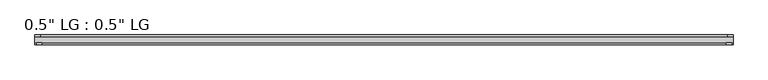
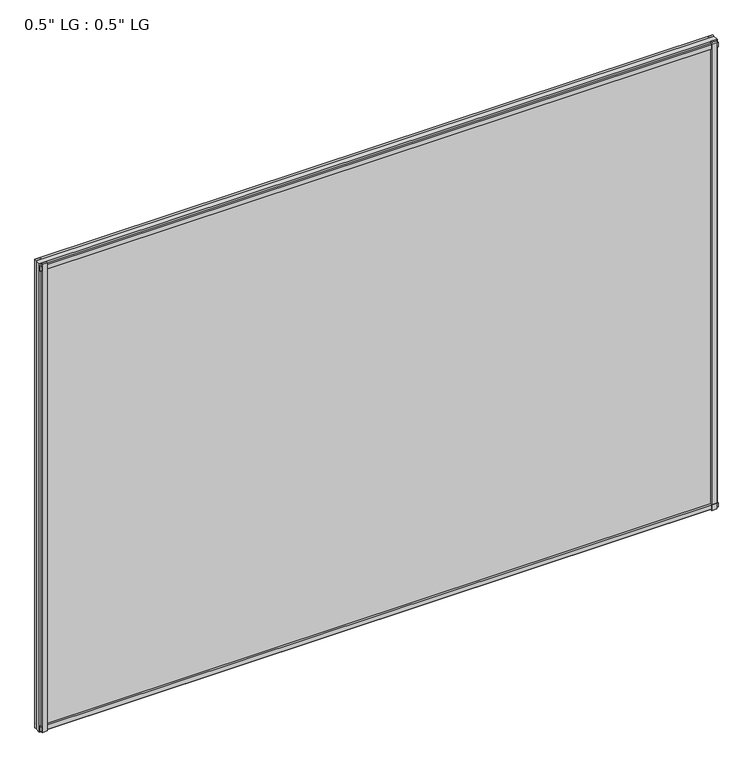
"""IFC4 building model written with IfcOpenShell, lengths in millimetres: plate geometry."""

from ifc_helpers import new_model, si_unit, frame, origin, origin_with_axes, place, context, project, spatial, polyline, outline, extrude, source, transform, mapped, element, save


def plate_aadd0195(model_context):
    return source(origin(), model_context, "Body", "SweptSolid", [
        extrude(outline(polyline([(809.6581873, 33.3271813), (797.5205077, 33.3271813), (797.5205077, 38.0007813), (809.6581873, 38.0007813), (809.6581873, 33.3271813)])), origin_with_axes(), (0.0, 0.0, 1.0), 1181.7821763),
        extrude(outline(polyline([(806.1268336, 15.5217813), (794.1144097, 15.5217813), (794.1144097, 19.7127813), (806.1268336, 19.7127813), (806.1268336, 15.5217813)])), origin_with_axes(), (0.0, 0.0, 1.0), 1181.7821763),
        extrude(outline(polyline([(-797.3676093, 38.0007812), (-797.3676093, 33.3271813), (-809.6581873, 33.3271813), (-809.6581873, 38.0007812), (-797.3676093, 38.0007812)])), origin_with_axes(), (0.0, 0.0, 1.0), 1181.7821763),
        extrude(outline(polyline([(-793.4083713, 19.7127813), (-793.4083713, 15.5217812), (-805.6989493, 15.5217812), (-805.6989493, 19.7127813), (-793.4083713, 19.7127813)])), origin_with_axes(), (0.0, 0.0, 1.0), 1181.7821763),
        extrude(outline(polyline([(809.6581873, 33.3271813), (-809.6581873, 33.3271813), (-809.6581873, 38.0007812), (809.6581873, 38.0007813), (809.6581873, 33.3271813)])), origin_with_axes(), (0.0, 0.0, 1.0), 11.1693096),
        extrude(outline(polyline([(809.6581873, 15.3590708), (-809.6581873, 15.3590708), (-809.6581873, 20.1364307), (809.6581873, 20.1364307), (809.6581873, 15.3590708)])), frame((0.0, 0.0, 3.848913), z_axis=(0.0, 0.0, 1.0), x_axis=(1.0, 0.0, 0.0)), (0.0, 0.0, 1.0), 11.1693096),
        extrude(outline(polyline([(809.6581873, 33.3271813), (-809.6581873, 33.3271813), (-809.6581873, 38.0007812), (809.6581873, 38.0007813), (809.6581873, 33.3271813)])), frame((0.0, 0.0, 1170.6010704), z_axis=(0.0, 0.0, 1.0), x_axis=(1.0, 0.0, 0.0)), (0.0, 0.0, 1.0), 11.1811058),
        extrude(outline(polyline([(809.6581873, 15.5217813), (-809.6581873, 15.5217813), (-809.6581873, 19.7127812), (809.6581873, 19.7127813), (809.6581873, 15.5217813)])), frame((0.0, 0.0, 1166.0419237), z_axis=(0.0, 0.0, 1.0), x_axis=(1.0, 0.0, 0.0)), (0.0, 0.0, 1.0), 11.1811058),
        extrude(outline(polyline([(809.6581873, 33.3271812), (809.6581873, 19.7127812), (-809.6581873, 19.7127812), (-809.6581873, 33.3271812), (809.6581873, 33.3271812)])), origin_with_axes(), (0.0, 0.0, 1.0), 1181.7821763),
    ])


if __name__ == "__main__":
    model = new_model("IFC4")
    model_context = context("Model", 3, world=origin())
    ifc_project = project(units=[si_unit("LENGTHUNIT", "METRE", prefix="MILLI")], contexts=[model_context])
    site = spatial("IfcSite", under=ifc_project)
    building = spatial("IfcBuilding", under=site)
    placement = place(None, origin())
    plate_shape = plate_aadd0195(model_context)
    element("IfcPlate", 1, ObjectType="0.5\" LG : 0.5\" LG", at=placement, inside=building, context=model_context, shape_type="MappedRepresentation", body=[
        mapped(plate_shape, transform((0.0, 0.0, 0.0), x_axis=(1.0, 0.0, 0.0), y_axis=(0.0, 1.0, 0.0), z_axis=(0.0, 0.0, 1.0))),
    ])
    save(model, "model.ifc")
